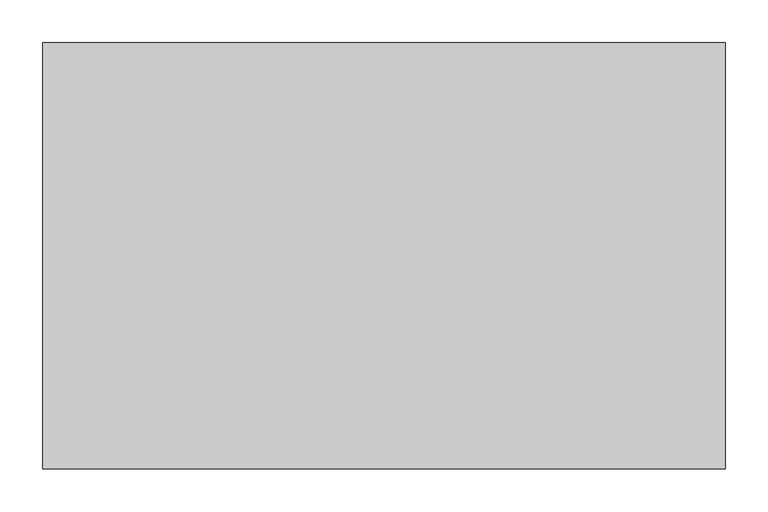
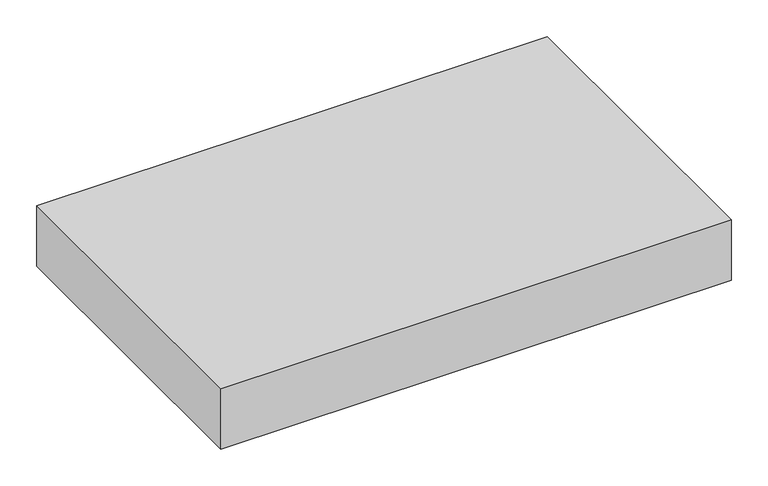
"""IFC4 building model written with IfcOpenShell, lengths in millimetres: proxy geometry."""

from ifc_helpers import new_model, si_unit, frame, origin, place, context, project, spatial, polyline, outline, extrude, source, transform, mapped, element, save


def generic_models_8379ad59(model_context):
    return source(origin(), model_context, "Body", "SweptSolid", [
        extrude(outline(polyline([(800.0, 500.0), (800.0, 0.0), (0.0, 0.0), (0.0, 500.0), (800.0, 500.0)])), frame((0.0, 0.0, 1000.0), z_axis=(0.0, 0.0, 1.0), x_axis=(1.0, 0.0, 0.0)), (0.0, 0.0, 1.0), 100.0),
    ])


if __name__ == "__main__":
    model = new_model("IFC4")
    model_context = context("Model", 3, world=origin())
    ifc_project = project(units=[si_unit("LENGTHUNIT", "METRE", prefix="MILLI")], contexts=[model_context])
    site = spatial("IfcSite", under=ifc_project)
    building = spatial("IfcBuilding", under=site)
    placement = place(None, origin())
    generic_models_shape = generic_models_8379ad59(model_context)
    element("IfcBuildingElementProxy", 1, Name="Generic Models", at=placement, inside=building, context=model_context, shape_type="MappedRepresentation", body=[
        mapped(generic_models_shape, transform((0.0, 0.0, 0.0), x_axis=(1.0, 0.0, 0.0), y_axis=(0.0, 1.0, 0.0), z_axis=(0.0, 0.0, 1.0))),
    ])
    save(model, "model.ifc")
